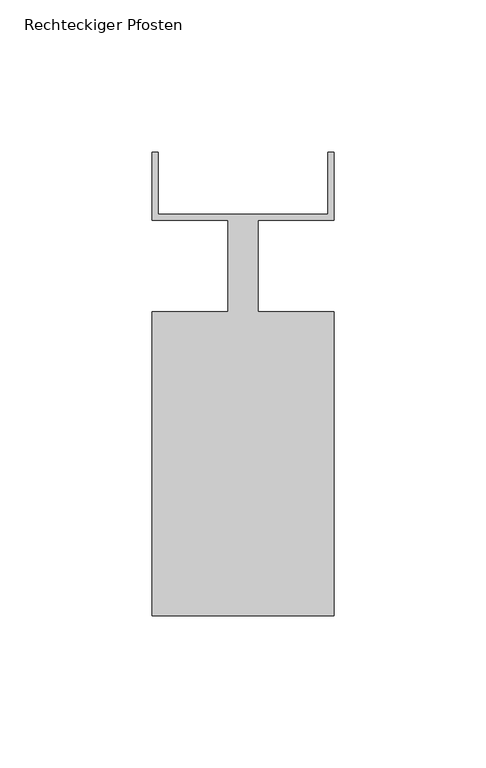
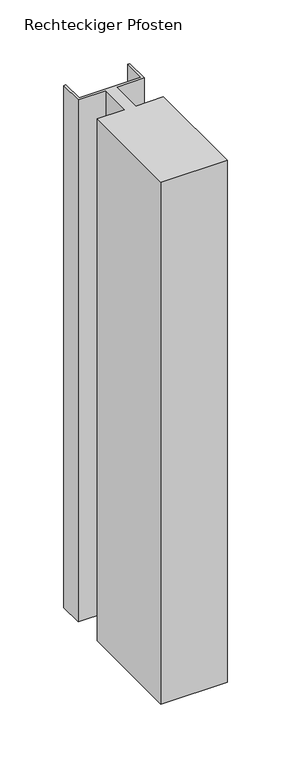
"""IFC4 building model written with IfcOpenShell, lengths in millimetres: member geometry, Rechteckiger Pfosten."""

from ifc_helpers import new_model, si_unit, frame, origin, place, context, project, spatial, polyline, outline, extrude, source, transform, mapped, element, save


def rechteckiger_pfosten_17645631(model_context):
    return source(origin(), model_context, "Body", "SweptSolid", [
        extrude(outline(polyline([(-58.0, 37.5), (-58.0, 17.0), (-2.0, 17.0), (-2.0, 37.5), (0.0, 37.5), (0.0, 15.0), (-25.0, 15.0), (-25.0, -15.0), (0.0, -15.0), (0.0, -115.0), (-60.0, -115.0), (-60.0, -15.0), (-35.0, -15.0), (-35.0, 15.0), (-60.0, 15.0), (-60.0, 37.5), (-58.0, 37.5)])), frame((0.0, 0.0, -500.0), z_axis=(0.0, 0.0, 1.0), x_axis=(1.0, 0.0, 0.0)), (0.0, 0.0, 1.0), 500.0),
    ])


if __name__ == "__main__":
    model = new_model("IFC4")
    model_context = context("Model", 3, world=origin())
    ifc_project = project(units=[si_unit("LENGTHUNIT", "METRE", prefix="MILLI")], contexts=[model_context])
    site = spatial("IfcSite", under=ifc_project)
    building = spatial("IfcBuilding", under=site)
    placement = place(None, origin())
    rechteckiger_pfosten_shape = rechteckiger_pfosten_17645631(model_context)
    element("IfcMember", 1, ObjectType="Rechteckiger Pfosten", at=placement, inside=building, context=model_context, shape_type="MappedRepresentation", body=[
        mapped(rechteckiger_pfosten_shape, transform((0.0, 0.0, 0.0), x_axis=(1.0, 0.0, 0.0), y_axis=(0.0, 1.0, 0.0), z_axis=(0.0, 0.0, 1.0))),
    ])
    save(model, "model.ifc")
